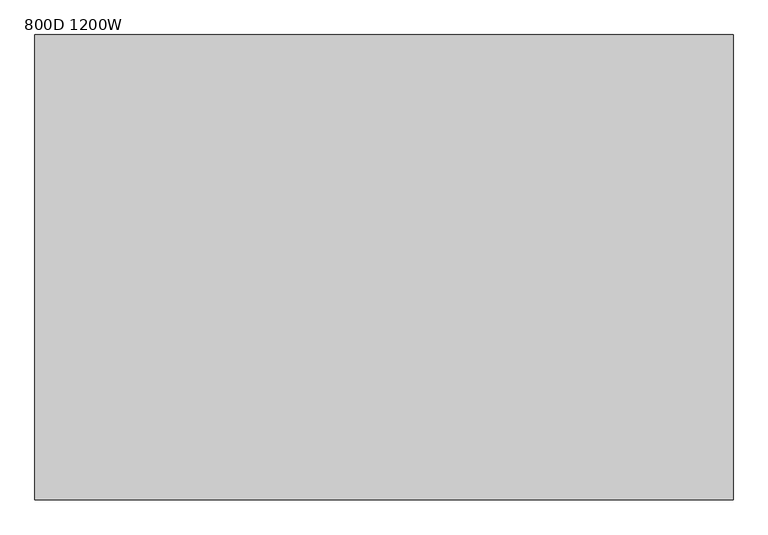
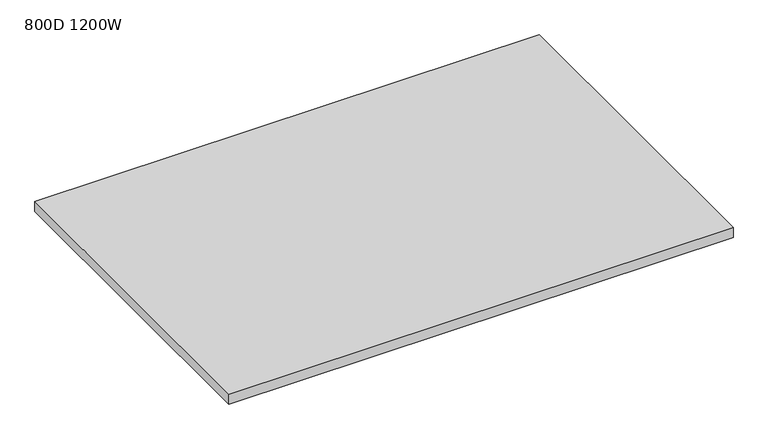
"""IFC4 building model written with IfcOpenShell, lengths in millimetres: furniture geometry, 800D 1200W."""

from ifc_helpers import new_model, si_unit, frame, origin, place, context, project, spatial, polyline, outline, extrude, source, transform, mapped, element, save


def furniture_800d_1200w_4583421c(model_context):
    return source(origin(), model_context, "Body", "SweptSolid", [
        extrude(outline(polyline([(-600.0, 800.0), (600.0, 800.0), (600.0, 0.0), (-600.0, 0.0), (-600.0, 800.0)])), frame((0.0, 0.0, 715.0), z_axis=(0.0, 0.0, 1.0), x_axis=(1.0, 0.0, 0.0)), (0.0, 0.0, 1.0), 25.0),
    ])


if __name__ == "__main__":
    model = new_model("IFC4")
    model_context = context("Model", 3, world=origin())
    ifc_project = project(units=[si_unit("LENGTHUNIT", "METRE", prefix="MILLI")], contexts=[model_context])
    site = spatial("IfcSite", under=ifc_project)
    building = spatial("IfcBuilding", under=site)
    placement = place(None, origin())
    furniture_800d_1200w_shape = furniture_800d_1200w_4583421c(model_context)
    element("IfcFurniture", 1, ObjectType="800D 1200W", at=placement, inside=building, context=model_context, shape_type="MappedRepresentation", body=[
        mapped(furniture_800d_1200w_shape, transform((0.0, 0.0, 0.0), x_axis=(1.0, 0.0, 0.0), y_axis=(0.0, 1.0, 0.0), z_axis=(0.0, 0.0, 1.0))),
    ])
    save(model, "model.ifc")
